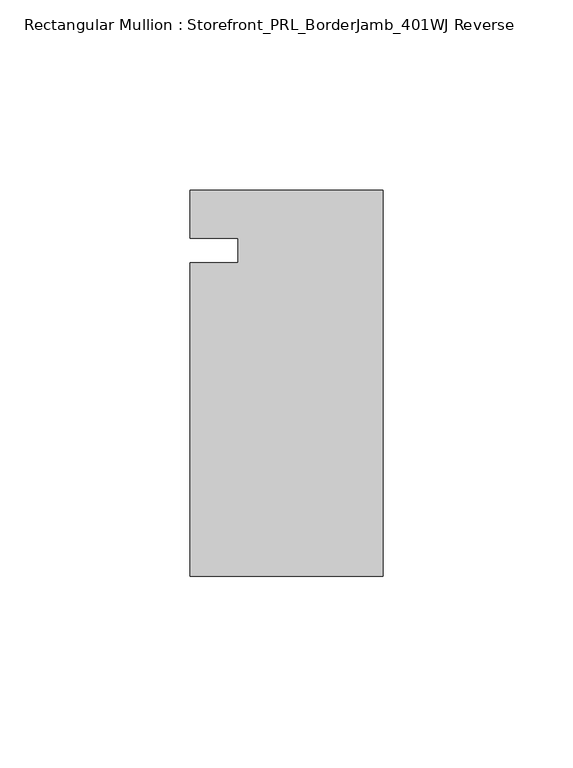
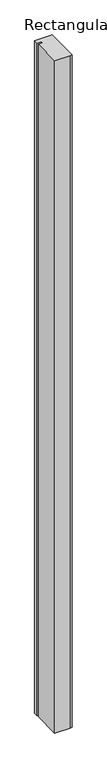
"""IFC4 building model written with IfcOpenShell, lengths in millimetres: member geometry, Rectangular Mullion : Storefront_PRL_BorderJamb_401WJ Reverse."""

from ifc_helpers import new_model, si_unit, frame, origin, place, context, project, spatial, polyline, outline, extrude, source, transform, mapped, element, save


def rectangular_mullion_storefront_prl_borderjamb_401wj_reverse_4984d9c8(model_context):
    return source(origin(), model_context, "Body", "SweptSolid", [
        extrude(outline(polyline([(-38.1, -3.175), (-38.1, 3.175), (-50.8, 3.175), (-50.8, 15.875), (-7.3958824, 15.875), (0.0, 15.875), (0.0, -85.725), (-6.35, -85.725), (-50.8, -85.725), (-50.8, -3.175), (-38.1, -3.175)])), frame((0.0, 0.0, -2082.8), z_axis=(0.0, 0.0, 1.0), x_axis=(1.0, 0.0, 0.0)), (0.0, 0.0, 1.0), 2082.8),
    ])


if __name__ == "__main__":
    model = new_model("IFC4")
    model_context = context("Model", 3, world=origin())
    ifc_project = project(units=[si_unit("LENGTHUNIT", "METRE", prefix="MILLI")], contexts=[model_context])
    site = spatial("IfcSite", under=ifc_project)
    building = spatial("IfcBuilding", under=site)
    placement = place(None, origin())
    rectangular_mullion_storefront_prl_borderjamb_401wj_reverse_shape = rectangular_mullion_storefront_prl_borderjamb_401wj_reverse_4984d9c8(model_context)
    element("IfcMember", 1, ObjectType="Rectangular Mullion : Storefront_PRL_BorderJamb_401WJ Reverse", at=placement, inside=building, context=model_context, shape_type="MappedRepresentation", body=[
        mapped(rectangular_mullion_storefront_prl_borderjamb_401wj_reverse_shape, transform((0.0, 0.0, 0.0), x_axis=(1.0, 0.0, 0.0), y_axis=(0.0, 1.0, 0.0), z_axis=(0.0, 0.0, 1.0))),
    ])
    save(model, "model.ifc")
